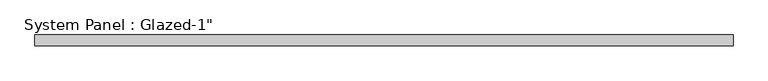
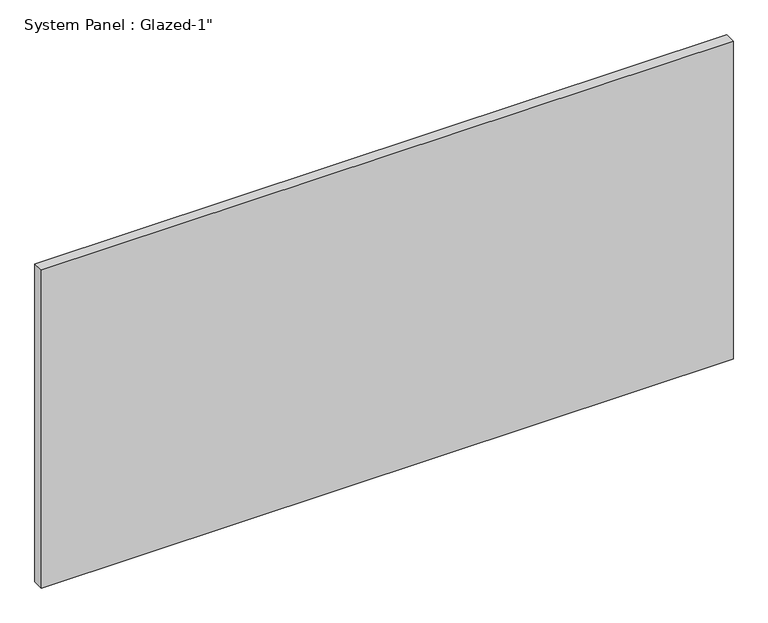
"""IFC4 building model written with IfcOpenShell, lengths in millimetres: plate geometry."""

from ifc_helpers import new_model, si_unit, origin, origin_with_axes, place, context, project, spatial, polyline, outline, extrude, source, transform, mapped, element, save


def plate_10e88fc3(model_context):
    return source(origin(), model_context, "Body", "SweptSolid", [
        extrude(outline(polyline([(809.625292, 25.4), (-809.625292, 25.4), (-809.625292, 50.8), (809.625292, 50.8), (809.625292, 25.4)])), origin_with_axes(), (0.0, 0.0, 1.0), 787.4),
    ])


if __name__ == "__main__":
    model = new_model("IFC4")
    model_context = context("Model", 3, world=origin())
    ifc_project = project(units=[si_unit("LENGTHUNIT", "METRE", prefix="MILLI")], contexts=[model_context])
    site = spatial("IfcSite", under=ifc_project)
    building = spatial("IfcBuilding", under=site)
    placement = place(None, origin())
    plate_shape = plate_10e88fc3(model_context)
    element("IfcPlate", 1, ObjectType="System Panel : Glazed-1\"", at=placement, inside=building, context=model_context, shape_type="MappedRepresentation", body=[
        mapped(plate_shape, transform((0.0, 0.0, 0.0), x_axis=(1.0, 0.0, 0.0), y_axis=(0.0, 1.0, 0.0), z_axis=(0.0, 0.0, 1.0))),
    ])
    save(model, "model.ifc")
